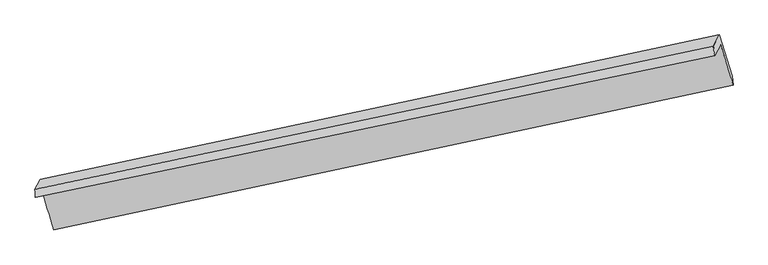
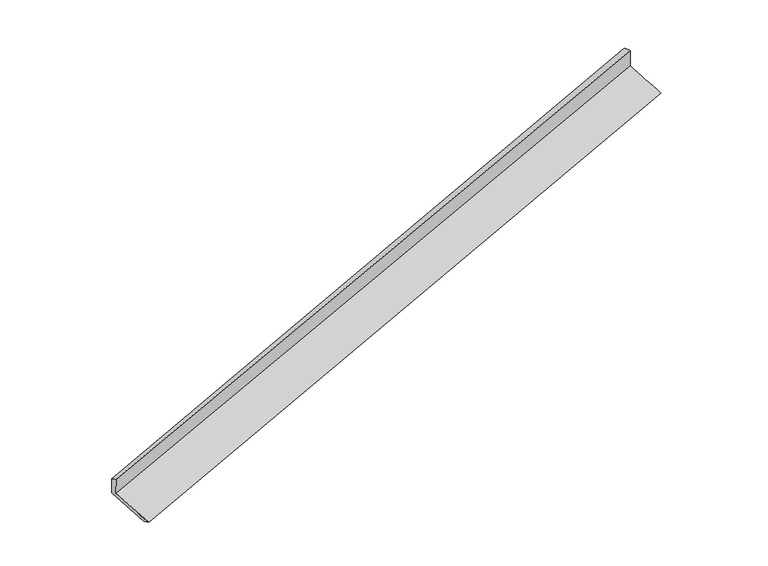
"""IFC4 building model written with IfcOpenShell, lengths in millimetres: proxy geometry."""

import ifcopenshell
import ifcopenshell.guid

model = None  # the IFC model being written
_history = None  # IfcOwnerHistory: only IFC2X3 demands one
_inside = {}  # id of a spatial element -> (the spatial element, [elements in it])
_under = {}  # id of a project, library or spatial element -> (it, [spatial elements below it])
_declared = {}  # id of a project -> (the project, [libraries it declares])
_typed = {}  # id of a type object -> (the type object, [elements of that type])
_made_of = {}  # id of a material, layer set ... -> (it, [elements and type objects made of it])


def new_model(schema):
    """Start an empty IFC model of exactly this schema.

    Asked for "IFC4X3", IfcOpenShell would pick the latest addendum, in which some entities
    have other attributes; the version numbers below select the first issue.
    IFC2X3 requires an IfcOwnerHistory on every rooted entity: one is made here for all.
    """
    global model, _history
    if schema == "IFC4X3":
        model = ifcopenshell.file(schema_version=(4, 3, 0, 0))
    else:
        model = ifcopenshell.file(schema=schema)
    _inside.clear()
    _under.clear()
    _declared.clear()
    _typed.clear()
    _made_of.clear()
    _history = None
    if model.schema == "IFC2X3":
        org = make("IfcOrganization", Name="unknown")
        user = make(
            "IfcPersonAndOrganization",
            ThePerson=make("IfcPerson", FamilyName="unknown"),
            TheOrganization=org,
        )
        app = make(
            "IfcApplication",
            ApplicationDeveloper=org,
            Version="unknown",
            ApplicationFullName="unknown",
            ApplicationIdentifier="unknown",
        )
        _history = make(
            "IfcOwnerHistory",
            OwningUser=user,
            OwningApplication=app,
            ChangeAction="ADDED",
            CreationDate=0,
        )
    return model


def make(cls, **values):
    """One entity of the class cls with the attributes given. An attribute that is None is left unset."""
    return model.create_entity(
        cls, **{name: value for name, value in values.items() if value is not None}
    )


def rooted(cls, **values):
    """An entity with a GlobalId (a new one), such as an element, a storey or a relation."""
    return make(cls, GlobalId=ifcopenshell.guid.new(), OwnerHistory=_history, **values)


def si_unit(unit_type, name, prefix=None):
    """IfcSIUnit, for example si_unit("LENGTHUNIT", "METRE", prefix="MILLI")."""
    return make("IfcSIUnit", UnitType=unit_type, Prefix=prefix, Name=name)


def assignment(units):
    """IfcUnitAssignment: the units of a project."""
    return None if units is None else make("IfcUnitAssignment", Units=units)


def point(xyz):
    """IfcCartesianPoint."""
    return None if xyz is None else make("IfcCartesianPoint", Coordinates=xyz)


def direction(xyz):
    """IfcDirection."""
    return None if xyz is None else make("IfcDirection", DirectionRatios=xyz)


def frame(location, z_axis=None, x_axis=None):
    """IfcAxis2Placement3D, a coordinate frame: its origin and axes. An axis left out is left unset."""
    return make(
        "IfcAxis2Placement3D",
        Location=point(location),
        Axis=direction(z_axis),
        RefDirection=direction(x_axis),
    )


def origin():
    """The frame at (0, 0, 0) with its axes left unset."""
    return frame((0.0, 0.0, 0.0))


def place(relative_to, where):
    """IfcLocalPlacement: puts the frame where relative to a parent placement (None: the world)."""
    return make(
        "IfcLocalPlacement", PlacementRelTo=relative_to, RelativePlacement=where
    )


def context(
    kind, dimensions, precision=None, world=None, true_north=None, identifier=None
):
    """IfcGeometricRepresentationContext, for example the 3D "Model" context."""
    return make(
        "IfcGeometricRepresentationContext",
        ContextIdentifier=identifier,
        ContextType=kind,
        CoordinateSpaceDimension=dimensions,
        Precision=precision,
        WorldCoordinateSystem=world,
        TrueNorth=true_north,
    )


def project(units=None, contexts=None):
    """IfcProject with its units and contexts."""
    return rooted(
        "IfcProject",
        Name="project",
        RepresentationContexts=contexts,
        UnitsInContext=assignment(units),
    )


def spatial(cls, under=None, at=None, **own):
    """A site, building, storey or space (cls), placed at a placement, below another one or the project."""
    s = rooted(cls, ObjectPlacement=at, **own)
    if under is not None:
        _under.setdefault(under.id(), (under, []))[1].append(s)
    return s


def shape(context_of_items, identifier, shape_type, items):
    """IfcShapeRepresentation: the items that make up one representation, for example the "Body"."""
    return make(
        "IfcShapeRepresentation",
        ContextOfItems=context_of_items,
        RepresentationIdentifier=identifier,
        RepresentationType=shape_type,
        Items=items,
    )


def source(mapping_origin, context_of_items, identifier, shape_type, items):
    """IfcRepresentationMap: a shape defined once, which mapped items show again and again."""
    return make(
        "IfcRepresentationMap",
        MappingOrigin=mapping_origin,
        MappedRepresentation=shape(context_of_items, identifier, shape_type, items),
    )


def transform(
    local_origin,
    x_axis=None,
    y_axis=None,
    z_axis=None,
    scale=None,
    scale2=None,
    scale3=None,
    uniform=True,
):
    """IfcCartesianTransformationOperator3D, or its non-uniform kind. x_axis, y_axis, z_axis: its Axis1, 2, 3."""
    if uniform:
        return make(
            "IfcCartesianTransformationOperator3D",
            Axis1=direction(x_axis),
            Axis2=direction(y_axis),
            LocalOrigin=point(local_origin),
            Scale=scale,
            Axis3=direction(z_axis),
        )
    return make(
        "IfcCartesianTransformationOperator3DnonUniform",
        Axis1=direction(x_axis),
        Axis2=direction(y_axis),
        LocalOrigin=point(local_origin),
        Scale=scale,
        Axis3=direction(z_axis),
        Scale2=scale2,
        Scale3=scale3,
    )


def mapped(mapping_source, mapping_target):
    """IfcMappedItem: shows the shape of a source again, moved by a transform."""
    return make(
        "IfcMappedItem", MappingSource=mapping_source, MappingTarget=mapping_target
    )


def made_of(thing, what):
    """Note that an element or type object is made of a material, layer set ...; save() writes the relation."""
    if what is not None:
        _made_of.setdefault(what.id(), (what, []))[1].append(thing)
    return thing


def element(
    cls,
    number,
    at=None,
    inside=None,
    cuts=None,
    type_object=None,
    material=None,
    context=None,
    identifier="Body",
    shape_type=None,
    held_by="IfcProductDefinitionShape",
    body=None,
    shapes=None,
    **own,
):
    """One element of the class cls, such as IfcWall. Its Tag is "e" and its number.

    at: its placement. inside: the storey or other place that contains it. cuts: it is an
    opening in that element (IfcRelVoidsElement). A single representation is given by context,
    identifier, shape_type and body (its items); several are given by shapes. held_by: the class
    of the entity that holds the representations. save() writes the other relations.
    """
    e = rooted(cls, Tag="e%d" % number, ObjectPlacement=at, **own)
    if body is not None:
        shapes = [shape(context, identifier, shape_type, body)]
    if shapes is not None:
        e.Representation = make(held_by, Representations=shapes)
    if inside is not None:
        _inside.setdefault(inside.id(), (inside, []))[1].append(e)
    if cuts is not None:
        rooted(
            "IfcRelVoidsElement", RelatingBuildingElement=cuts, RelatedOpeningElement=e
        )
    if type_object is not None:
        _typed.setdefault(type_object.id(), (type_object, []))[1].append(e)
    return made_of(e, material)


def aggregate(whole, parts):
    """IfcRelAggregates: a whole, such as a stair, and the parts it consists of."""
    return rooted("IfcRelAggregates", RelatingObject=whole, RelatedObjects=parts)


def save(model, path):
    """Write the relations noted so far, then the file.

    IfcRelAggregates (storeys below a building ...), IfcRelContainedInSpatialStructure (elements
    in a storey), IfcRelDefinesByType, IfcRelAssociatesMaterial and IfcRelDeclares: one each for
    every whole, place, type object, material and project.
    """
    for whole, parts in _under.values():
        aggregate(whole, parts)
    for where, things in _inside.values():
        rooted(
            "IfcRelContainedInSpatialStructure",
            RelatedElements=things,
            RelatingStructure=where,
        )
    for kind, things in _typed.values():
        rooted("IfcRelDefinesByType", RelatedObjects=things, RelatingType=kind)
    for what, things in _made_of.values():
        rooted("IfcRelAssociatesMaterial", RelatedObjects=things, RelatingMaterial=what)
    for by, libraries in _declared.values():
        rooted("IfcRelDeclares", RelatingContext=by, RelatedDefinitions=libraries)
    model.write(path)


def plane_surface(at):
    """IfcPlane: the flat surface through the origin of the frame at, square to its z axis."""
    return make("IfcPlane", Position=at)


def spline_surface(u_degree, v_degree, points, u_multiplicities, v_multiplicities, u_knots, v_knots, weights=None):
    """IfcBSplineSurfaceWithKnots; with weights, IfcRationalBSplineSurfaceWithKnots. points: one row for each step in u."""
    own = dict(
        UDegree=u_degree,
        VDegree=v_degree,
        ControlPointsList=[[point(p) for p in row] for row in points],
        SurfaceForm="UNSPECIFIED",
        UClosed=False,
        VClosed=False,
        SelfIntersect=False,
        UMultiplicities=u_multiplicities,
        VMultiplicities=v_multiplicities,
        UKnots=u_knots,
        VKnots=v_knots,
        KnotSpec="UNSPECIFIED",
    )
    if weights is None:
        return make("IfcBSplineSurfaceWithKnots", **own)
    return make("IfcRationalBSplineSurfaceWithKnots", WeightsData=weights, **own)


def advanced_brep(points, edges, surfaces, faces):
    """IfcAdvancedBrep: a solid bounded by faces that lie on surfaces and meet in shared edges.

    An edge is (start, end): straight between two places in points (the first is 0);
    or (start, end, curve); or (start, end, curve, False) where it runs against its curve.
    A face is (place in surfaces, loops), or (place, loops, False) where it looks against
    its surface's normal. A loop lists edges by number (the first is 1), with a minus sign
    where the edge is run from its end to its start. The first loop is the outer one.
    """
    corners = [point(p) for p in points]
    vertices = [make("IfcVertexPoint", VertexGeometry=c) for c in corners]
    made = []
    for start, end, *more in edges:
        made.append(
            make(
                "IfcEdgeCurve",
                EdgeStart=vertices[start],
                EdgeEnd=vertices[end],
                EdgeGeometry=more[0] if more else make("IfcPolyline", Points=[corners[start], corners[end]]),
                SameSense=more[1] if len(more) > 1 else True,
            )
        )
    hull = []
    for where, loops, *sense in faces:
        bounds = []
        for j, loop in enumerate(loops):
            ring = [make("IfcOrientedEdge", EdgeElement=made[abs(k) - 1], Orientation=k > 0) for k in loop]
            bounds.append(
                make(
                    "IfcFaceOuterBound" if j == 0 else "IfcFaceBound",
                    Bound=make("IfcEdgeLoop", EdgeList=ring),
                    Orientation=True,
                )
            )
        hull.append(make("IfcAdvancedFace", Bounds=bounds, FaceSurface=surfaces[where], SameSense=sense[0] if sense else True))
    return make("IfcAdvancedBrep", Outer=make("IfcClosedShell", CfsFaces=hull))


def generic_models_be75069b(model_context):
    return source(origin(), model_context, "Body", "AdvancedBrep", [
        advanced_brep(
        [(-8461.0672002, -2611.0795538, 676.6395409), (-8372.1223761, -2447.944091, 267.0462251), (2587.1363065, -146.9427095, 3507.6984332), (2490.2811936, -324.5865897, 3953.7188427), (-8468.3240133, -2481.0695076, 611.2027532), (2470.7645452, -166.411635, 3907.8183214), (-8379.8520078, -2318.8012508, 203.7867799), (2569.1244118, 13.9921435, 3454.8684811), (-8171.1346871, -3001.1588754, -22.6632082), (2775.0807149, -649.5488048, 3235.3133539), (-8160.7927015, -3138.8422602, 37.761937), (2788.6746519, -796.2500761, 3292.8529714)],
        [
            (0, 1),
            (1, 2),
            (2, 3),
            (3, 0),
            (4, 0),
            (3, 5),
            (5, 4),
            (6, 4),
            (5, 7),
            (7, 6),
            (8, 6),
            (7, 9),
            (9, 8),
            (10, 8),
            (9, 11),
            (11, 10),
            (1, 10),
            (11, 2),
        ],
        [
            plane_surface(frame((-8416.5947882, -2529.5118224, 471.842883), z_axis=(0.28058033090265666, -0.9110989752242841, -0.3019492262878237), x_axis=(0.1977572214079961, 0.36271043488900906, -0.9106773423137389))),
            spline_surface(1, 1, [[(-8468.3240133, -2481.0695076, 611.2027532), (2470.7645452, -166.411635, 3907.8183214)], [(-8461.0672002, -2611.0795538, 676.6395409), (2490.2811936, -324.5865897, 3953.7188427)]], [2, 2], [2, 2], [0.0, 1.0], [0.0, 1.0]),
            plane_surface(frame((-8424.0880106, -2399.9353792, 407.4947666), z_axis=(-0.2833990681198304, 0.9105069746910208, 0.3011013404616741), x_axis=(-0.1977572214079394, -0.36271043488907334, 0.9106773423137257))),
            spline_surface(1, 1, [[(-8171.1346871, -3001.1588754, -22.6632082), (2775.0807149, -649.5488048, 3235.3133539)], [(-8379.8520078, -2318.8012508, 203.7867799), (2569.1244118, 13.9921435, 3454.8684811)]], [2, 2], [2, 2], [0.0, 1.0], [0.0, 1.0]),
            spline_surface(1, 1, [[(-8160.7927015, -3138.8422602, 37.761937), (2788.6746519, -796.2500761, 3292.8529714)], [(-8171.1346871, -3001.1588754, -22.6632082), (2775.0807149, -649.5488048, 3235.3133539)]], [2, 2], [2, 2], [0.0, 1.0], [0.0, 1.0]),
            spline_surface(1, 1, [[(-8372.1223761, -2447.944091, 267.0462251), (2587.1363065, -146.9427095, 3507.6984332)], [(-8160.7927015, -3138.8422602, 37.761937), (2788.6746519, -796.2500761, 3292.8529714)]], [2, 2], [2, 2], [0.0, 1.0], [0.0, 1.0]),
            plane_surface(frame((2613.510304, -344.9579453, 3558.711734), z_axis=(0.9386134234055451, 0.19782348647424638, 0.2826140647634096), x_axis=(-0.2826604372457065, 0.9106629500653657, 0.3013238599817669))),
            plane_surface(frame((-8335.548831, -2666.4825898, 295.6290046), z_axis=(-0.9397681787032703, -0.1940758899790522, -0.2813722076282188), x_axis=(-0.19775722140801757, -0.36271043488903837, 0.9106773423137227))),
        ],
        [
            (0, [[1, 2, 3, 4]]),
            (1, [[5, -4, 6, 7]]),
            (2, [[8, -7, 9, 10]]),
            (3, [[11, -10, 12, 13]]),
            (4, [[14, -13, 15, 16]]),
            (5, [[17, -16, 18, -2]]),
            (6, [[-12, -9, -6, -3, -18, -15]]),
            (7, [[-1, -5, -8, -11, -14, -17]]),
        ],
    ),
    ])


if __name__ == "__main__":
    model = new_model("IFC4")
    model_context = context("Model", 3, world=origin())
    ifc_project = project(units=[si_unit("LENGTHUNIT", "METRE", prefix="MILLI")], contexts=[model_context])
    site = spatial("IfcSite", under=ifc_project)
    building = spatial("IfcBuilding", under=site)
    placement = place(None, origin())
    generic_models_shape = generic_models_be75069b(model_context)
    element("IfcBuildingElementProxy", 1, Name="Generic Models", at=placement, inside=building, context=model_context, shape_type="MappedRepresentation", body=[
        mapped(generic_models_shape, transform((0.0, 0.0, 0.0), x_axis=(1.0, 0.0, 0.0), y_axis=(0.0, 1.0, 0.0), z_axis=(0.0, 0.0, 1.0))),
    ])
    save(model, "model.ifc")
